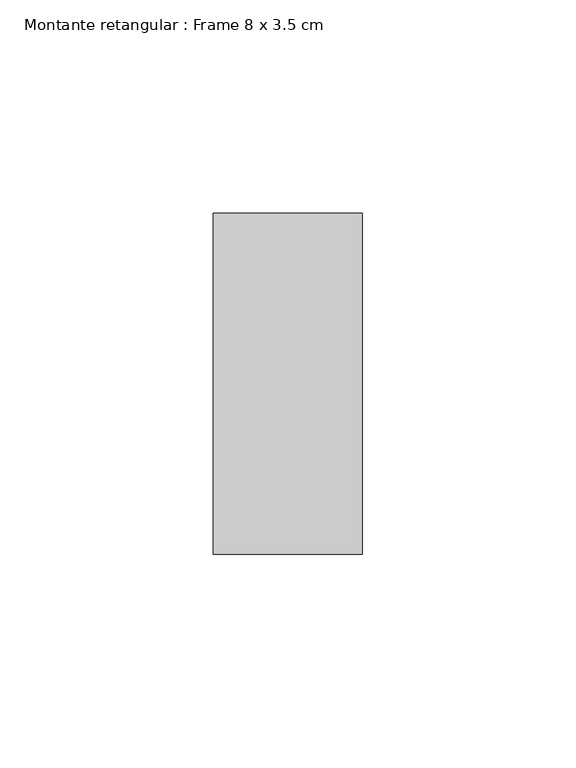
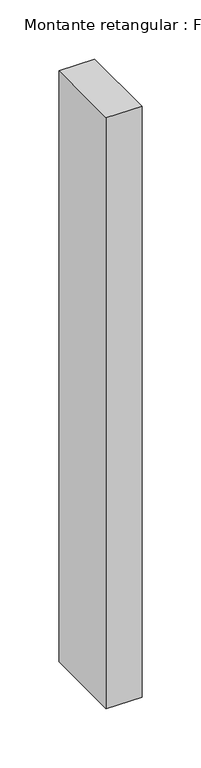
"""IFC4 building model written with IfcOpenShell, lengths in millimetres: member geometry, Montante retangular : Frame 8 x 3.5 cm."""

from ifc_helpers import new_model, si_unit, frame, origin, place, context, project, spatial, polyline, outline, extrude, source, transform, mapped, element, save


def montante_retangular_frame_8_x_3_5_cm_ffbc4438(model_context):
    return source(origin(), model_context, "Body", "SweptSolid", [
        extrude(outline(polyline([(0.0, 40.0), (0.0, -40.0), (-35.0, -40.0), (-35.0, 40.0), (0.0, 40.0)])), frame((0.0, 0.0, -610.0), z_axis=(0.0, 0.0, 1.0), x_axis=(1.0, 0.0, 0.0)), (0.0, 0.0, 1.0), 610.0),
    ])


if __name__ == "__main__":
    model = new_model("IFC4")
    model_context = context("Model", 3, world=origin())
    ifc_project = project(units=[si_unit("LENGTHUNIT", "METRE", prefix="MILLI")], contexts=[model_context])
    site = spatial("IfcSite", under=ifc_project)
    building = spatial("IfcBuilding", under=site)
    placement = place(None, origin())
    montante_retangular_frame_8_x_3_5_cm_shape = montante_retangular_frame_8_x_3_5_cm_ffbc4438(model_context)
    element("IfcMember", 1, ObjectType="Montante retangular : Frame 8 x 3.5 cm", at=placement, inside=building, context=model_context, shape_type="MappedRepresentation", body=[
        mapped(montante_retangular_frame_8_x_3_5_cm_shape, transform((0.0, 0.0, 0.0), x_axis=(1.0, 0.0, 0.0), y_axis=(0.0, 1.0, 0.0), z_axis=(0.0, 0.0, 1.0))),
    ])
    save(model, "model.ifc")
